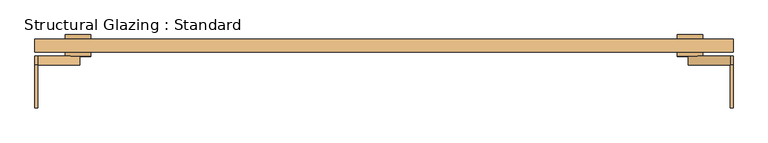
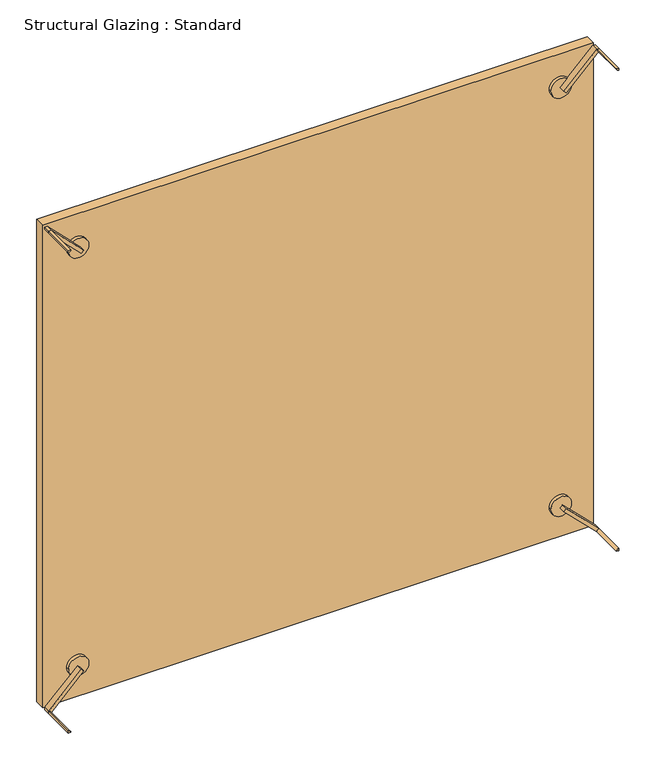
"""IFC4 building model written with IfcOpenShell, lengths in millimetres: door geometry, Structural Glazing : Standard."""

from ifc_helpers import new_model, si_unit, point, frame, frame_2d, origin, origin_with_axes, place, context, project, spatial, polyline, circle_curve, trimmed, segment, composite_curve, outline, extrude, source, transform, mapped, element, save


def structural_glazing_standard_d8d556cf(model_context):
    return source(origin(), model_context, "Body", "SweptSolid", [
        extrude(outline(composite_curve([segment(trimmed(circle_curve(frame_2d((100.0, 710.0)), 30.0), [point((100.0, 680.0))], [point((100.0, 740.0))], False, "CARTESIAN"), True, "CONTINUOUS"), segment(trimmed(circle_curve(frame_2d((100.0, 710.0)), 30.0), [point((100.0, 740.0))], [point((100.0, 680.0))], False, "CARTESIAN"), True, "CONTINUOUS")], self_intersect=False)), frame((0.0, -38.9615014, 0.0), z_axis=(0.0, 1.0, 0.0), x_axis=(0.0, 0.0, 1.0)), (0.0, 0.0, 1.0), 10.0),
        extrude(outline(composite_curve([segment(trimmed(circle_curve(frame_2d((100.0, -710.0)), 30.0), [point((100.0, -740.0))], [point((100.0, -680.0))], False, "CARTESIAN"), True, "CONTINUOUS"), segment(trimmed(circle_curve(frame_2d((100.0, -710.0)), 30.0), [point((100.0, -680.0))], [point((100.0, -740.0))], False, "CARTESIAN"), True, "CONTINUOUS")], self_intersect=False)), frame((0.0, -38.9615014, 0.0), z_axis=(0.0, 1.0, 0.0), x_axis=(0.0, 0.0, 1.0)), (0.0, 0.0, 1.0), 10.0),
        extrude(outline(composite_curve([segment(trimmed(circle_curve(frame_2d((1400.0, -710.0)), 30.0), [point((1400.0, -740.0))], [point((1400.0, -680.0))], False, "CARTESIAN"), True, "CONTINUOUS"), segment(trimmed(circle_curve(frame_2d((1400.0, -710.0)), 30.0), [point((1400.0, -680.0))], [point((1400.0, -740.0))], False, "CARTESIAN"), True, "CONTINUOUS")], self_intersect=False)), frame((0.0, -38.9615014, 0.0), z_axis=(0.0, 1.0, 0.0), x_axis=(0.0, 0.0, 1.0)), (0.0, 0.0, 1.0), 10.0),
        extrude(outline(composite_curve([segment(trimmed(circle_curve(frame_2d((1400.0, 710.0)), 30.0), [point((1400.0, 680.0))], [point((1400.0, 740.0))], False, "CARTESIAN"), True, "CONTINUOUS"), segment(trimmed(circle_curve(frame_2d((1400.0, 710.0)), 30.0), [point((1400.0, 740.0))], [point((1400.0, 680.0))], False, "CARTESIAN"), True, "CONTINUOUS")], self_intersect=False)), frame((0.0, -38.9615014, 0.0), z_axis=(0.0, 1.0, 0.0), x_axis=(0.0, 0.0, 1.0)), (0.0, 0.0, 1.0), 10.0),
        extrude(outline(composite_curve([segment(trimmed(circle_curve(frame_2d((100.0, -710.0)), 30.0), [point((100.0, -740.0))], [point((100.0, -680.0))], False, "CARTESIAN"), True, "CONTINUOUS"), segment(trimmed(circle_curve(frame_2d((100.0, -710.0)), 30.0), [point((100.0, -680.0))], [point((100.0, -740.0))], False, "CARTESIAN"), True, "CONTINUOUS")], self_intersect=False)), frame((0.0, 1.0384986, 0.0), z_axis=(0.0, 1.0, 0.0), x_axis=(0.0, 0.0, 1.0)), (0.0, 0.0, 1.0), 10.0),
        extrude(outline(composite_curve([segment(trimmed(circle_curve(frame_2d((100.0, 710.0)), 30.0), [point((100.0, 680.0))], [point((100.0, 740.0))], False, "CARTESIAN"), True, "CONTINUOUS"), segment(trimmed(circle_curve(frame_2d((100.0, 710.0)), 30.0), [point((100.0, 740.0))], [point((100.0, 680.0))], False, "CARTESIAN"), True, "CONTINUOUS")], self_intersect=False)), frame((0.0, 1.0384986, 0.0), z_axis=(0.0, 1.0, 0.0), x_axis=(0.0, 0.0, 1.0)), (0.0, 0.0, 1.0), 10.0),
        extrude(outline(composite_curve([segment(trimmed(circle_curve(frame_2d((1400.0, -710.0)), 30.0), [point((1400.0, -740.0))], [point((1400.0, -680.0))], False, "CARTESIAN"), True, "CONTINUOUS"), segment(trimmed(circle_curve(frame_2d((1400.0, -710.0)), 30.0), [point((1400.0, -680.0))], [point((1400.0, -740.0))], False, "CARTESIAN"), True, "CONTINUOUS")], self_intersect=False)), frame((0.0, 1.0384986, 0.0), z_axis=(0.0, 1.0, 0.0), x_axis=(0.0, 0.0, 1.0)), (0.0, 0.0, 1.0), 10.0),
        extrude(outline(composite_curve([segment(trimmed(circle_curve(frame_2d((1400.0, 710.0)), 30.0), [point((1400.0, 680.0))], [point((1400.0, 740.0))], False, "CARTESIAN"), True, "CONTINUOUS"), segment(trimmed(circle_curve(frame_2d((1400.0, 710.0)), 30.0), [point((1400.0, 740.0))], [point((1400.0, 680.0))], False, "CARTESIAN"), True, "CONTINUOUS")], self_intersect=False)), frame((0.0, 1.0384986, 0.0), z_axis=(0.0, 1.0, 0.0), x_axis=(0.0, 0.0, 1.0)), (0.0, 0.0, 1.0), 10.0),
        extrude(outline(polyline([(810.0, -28.9615014), (-810.0, -28.9615014), (-810.0, 1.0384986), (810.0, 1.0384986), (810.0, -28.9615014)])), origin_with_axes(), (0.0, 0.0, 1.0), 1500.0),
        extrude(outline(composite_curve([segment(polyline([(0.0, 810.0), (7.0710678, 810.0)]), True, "CONTINUOUS"), segment(trimmed(circle_curve(frame_2d((0.0, 810.0)), 7.0710678), [point((7.0710678, 810.0))], [point((0.0, 802.9289322))], False, "CARTESIAN"), True, "CONTINUOUS"), segment(polyline([(0.0, 802.9289322), (0.0, 810.0)]), True, "CONTINUOUS")], self_intersect=False)), frame((0.0, -158.9615014, 0.0), z_axis=(0.0, 1.0, 0.0), x_axis=(0.0, 0.0, 1.0)), (0.0, 0.0, 1.0), 100.0),
        extrude(outline(composite_curve([segment(polyline([(0.0, -810.0), (0.0, -802.9289322)]), True, "CONTINUOUS"), segment(trimmed(circle_curve(frame_2d((0.0, -810.0)), 7.0710678), [point((0.0, -802.9289322))], [point((7.0710678, -810.0))], False, "CARTESIAN"), True, "CONTINUOUS"), segment(polyline([(7.0710678, -810.0), (0.0, -810.0)]), True, "CONTINUOUS")], self_intersect=False)), frame((0.0, -158.9615014, 0.0), z_axis=(0.0, 1.0, 0.0), x_axis=(0.0, 0.0, 1.0)), (0.0, 0.0, 1.0), 100.0),
        extrude(outline(composite_curve([segment(polyline([(1500.0, 810.0), (1500.0, 802.9289322)]), True, "CONTINUOUS"), segment(trimmed(circle_curve(frame_2d((1500.0, 810.0)), 7.0710678), [point((1500.0, 802.9289322))], [point((1492.9289322, 810.0))], False, "CARTESIAN"), True, "CONTINUOUS"), segment(polyline([(1492.9289322, 810.0), (1500.0, 810.0)]), True, "CONTINUOUS")], self_intersect=False)), frame((0.0, -158.9615014, 0.0), z_axis=(0.0, 1.0, 0.0), x_axis=(0.0, 0.0, 1.0)), (0.0, 0.0, 1.0), 100.0),
        extrude(outline(composite_curve([segment(polyline([(1500.0, -802.9289322), (1500.0, -810.0), (1492.9289322, -810.0)]), True, "CONTINUOUS"), segment(trimmed(circle_curve(frame_2d((1500.0, -810.0)), 7.0710678), [point((1492.9289322, -810.0))], [point((1500.0, -802.9289322))], False, "CARTESIAN"), True, "CONTINUOUS")], self_intersect=False)), frame((0.0, -158.9615014, 0.0), z_axis=(0.0, 1.0, 0.0), x_axis=(0.0, 0.0, 1.0)), (0.0, 0.0, 1.0), 100.0),
        extrude(outline(polyline([(103.5355339, 713.5355339), (96.4644661, 706.4644661), (0.0, 802.9289322), (0.0, 810.0), (7.0710678, 810.0), (103.5355339, 713.5355339)])), frame((0.0, -58.9615014, 0.0), z_axis=(0.0, 1.0, 0.0), x_axis=(0.0, 0.0, 1.0)), (0.0, 0.0, 1.0), 20.0),
        extrude(outline(polyline([(0.0, -810.0), (0.0, -802.9289322), (96.4644661, -706.4644661), (103.5355339, -713.5355339), (7.0710678, -810.0), (0.0, -810.0)])), frame((0.0, -58.9615014, 0.0), z_axis=(0.0, 1.0, 0.0), x_axis=(0.0, 0.0, 1.0)), (0.0, 0.0, 1.0), 20.0),
        extrude(outline(polyline([(1500.0, -802.9289322), (1500.0, -810.0), (1492.9289322, -810.0), (1396.4644661, -713.5355339), (1403.5355339, -706.4644661), (1500.0, -802.9289322)])), frame((0.0, -58.9615014, 0.0), z_axis=(0.0, 1.0, 0.0), x_axis=(0.0, 0.0, 1.0)), (0.0, 0.0, 1.0), 20.0),
        extrude(outline(polyline([(1500.0, 802.9289322), (1403.5355339, 706.4644661), (1396.4644661, 713.5355339), (1492.9289322, 810.0), (1500.0, 810.0), (1500.0, 802.9289322)])), frame((0.0, -58.9615014, 0.0), z_axis=(0.0, 1.0, 0.0), x_axis=(0.0, 0.0, 1.0)), (0.0, 0.0, 1.0), 20.0),
    ])


if __name__ == "__main__":
    model = new_model("IFC4")
    model_context = context("Model", 3, world=origin())
    ifc_project = project(units=[si_unit("LENGTHUNIT", "METRE", prefix="MILLI")], contexts=[model_context])
    site = spatial("IfcSite", under=ifc_project)
    building = spatial("IfcBuilding", under=site)
    placement = place(None, origin())
    structural_glazing_standard_shape = structural_glazing_standard_d8d556cf(model_context)
    element("IfcDoor", 1, ObjectType="Structural Glazing : Standard", at=placement, inside=building, context=model_context, shape_type="MappedRepresentation", body=[
        mapped(structural_glazing_standard_shape, transform((0.0, 0.0, 0.0), x_axis=(1.0, 0.0, 0.0), y_axis=(0.0, 1.0, 0.0), z_axis=(0.0, 0.0, 1.0))),
    ])
    save(model, "model.ifc")
